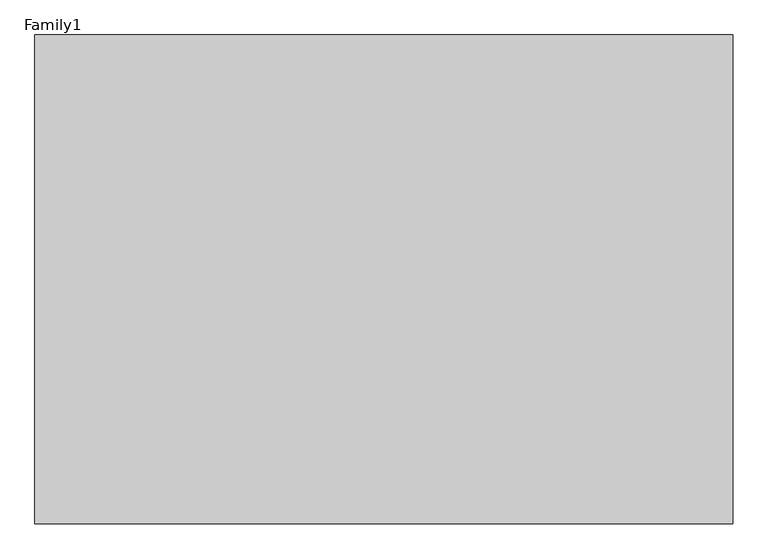
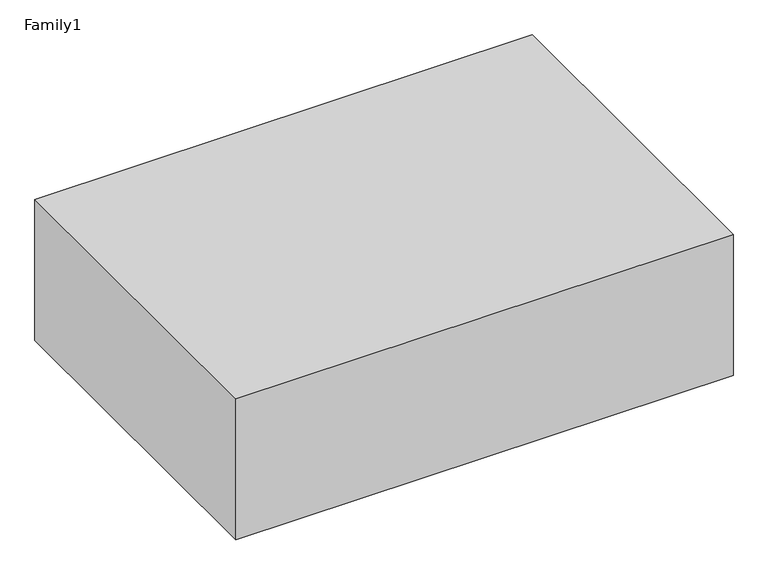
"""IFC4 building model written with IfcOpenShell, lengths in millimetres: proxy geometry, Family1."""

from ifc_helpers import new_model, si_unit, frame, origin, place, context, project, spatial, polyline, outline, extrude, source, transform, mapped, element, save


def family1_3259558f(model_context):
    return source(origin(), model_context, "Body", "SweptSolid", [
        extrude(outline(polyline([(1000.0, 0.0), (0.0, 0.0), (0.0, 700.0), (1000.0, 700.0), (1000.0, 0.0)])), frame((0.0, 0.0, 26000.0), z_axis=(0.0, 0.0, 1.0), x_axis=(1.0, 0.0, 0.0)), (0.0, 0.0, 1.0), 300.0),
    ])


if __name__ == "__main__":
    model = new_model("IFC4")
    model_context = context("Model", 3, world=origin())
    ifc_project = project(units=[si_unit("LENGTHUNIT", "METRE", prefix="MILLI")], contexts=[model_context])
    site = spatial("IfcSite", under=ifc_project)
    building = spatial("IfcBuilding", under=site)
    placement = place(None, origin())
    family1_shape = family1_3259558f(model_context)
    element("IfcBuildingElementProxy", 1, Name="Family1", ObjectType="Family1", at=placement, inside=building, context=model_context, shape_type="MappedRepresentation", body=[
        mapped(family1_shape, transform((0.0, 0.0, 0.0), x_axis=(1.0, 0.0, 0.0), y_axis=(0.0, 1.0, 0.0), z_axis=(0.0, 0.0, 1.0))),
    ])
    save(model, "model.ifc")
